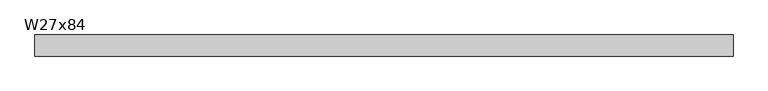
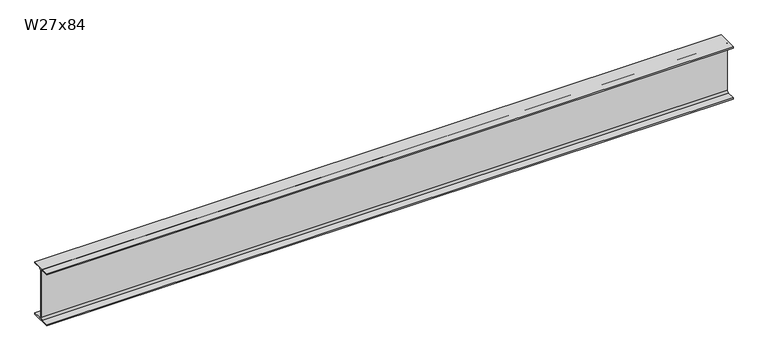
"""IFC4 building model written with IfcOpenShell, lengths in millimetres: beam geometry, W27x84."""

import ifcopenshell
import ifcopenshell.guid

model = None  # the IFC model being written
_history = None  # IfcOwnerHistory: only IFC2X3 demands one
_inside = {}  # id of a spatial element -> (the spatial element, [elements in it])
_under = {}  # id of a project, library or spatial element -> (it, [spatial elements below it])
_declared = {}  # id of a project -> (the project, [libraries it declares])
_typed = {}  # id of a type object -> (the type object, [elements of that type])
_made_of = {}  # id of a material, layer set ... -> (it, [elements and type objects made of it])


def new_model(schema):
    """Start an empty IFC model of exactly this schema.

    Asked for "IFC4X3", IfcOpenShell would pick the latest addendum, in which some entities
    have other attributes; the version numbers below select the first issue.
    IFC2X3 requires an IfcOwnerHistory on every rooted entity: one is made here for all.
    """
    global model, _history
    if schema == "IFC4X3":
        model = ifcopenshell.file(schema_version=(4, 3, 0, 0))
    else:
        model = ifcopenshell.file(schema=schema)
    _inside.clear()
    _under.clear()
    _declared.clear()
    _typed.clear()
    _made_of.clear()
    _history = None
    if model.schema == "IFC2X3":
        org = make("IfcOrganization", Name="unknown")
        user = make(
            "IfcPersonAndOrganization",
            ThePerson=make("IfcPerson", FamilyName="unknown"),
            TheOrganization=org,
        )
        app = make(
            "IfcApplication",
            ApplicationDeveloper=org,
            Version="unknown",
            ApplicationFullName="unknown",
            ApplicationIdentifier="unknown",
        )
        _history = make(
            "IfcOwnerHistory",
            OwningUser=user,
            OwningApplication=app,
            ChangeAction="ADDED",
            CreationDate=0,
        )
    return model


def make(cls, **values):
    """One entity of the class cls with the attributes given. An attribute that is None is left unset."""
    return model.create_entity(
        cls, **{name: value for name, value in values.items() if value is not None}
    )


def rooted(cls, **values):
    """An entity with a GlobalId (a new one), such as an element, a storey or a relation."""
    return make(cls, GlobalId=ifcopenshell.guid.new(), OwnerHistory=_history, **values)


def si_unit(unit_type, name, prefix=None):
    """IfcSIUnit, for example si_unit("LENGTHUNIT", "METRE", prefix="MILLI")."""
    return make("IfcSIUnit", UnitType=unit_type, Prefix=prefix, Name=name)


def assignment(units):
    """IfcUnitAssignment: the units of a project."""
    return None if units is None else make("IfcUnitAssignment", Units=units)


def point(xyz):
    """IfcCartesianPoint."""
    return None if xyz is None else make("IfcCartesianPoint", Coordinates=xyz)


def direction(xyz):
    """IfcDirection."""
    return None if xyz is None else make("IfcDirection", DirectionRatios=xyz)


def frame(location, z_axis=None, x_axis=None):
    """IfcAxis2Placement3D, a coordinate frame: its origin and axes. An axis left out is left unset."""
    return make(
        "IfcAxis2Placement3D",
        Location=point(location),
        Axis=direction(z_axis),
        RefDirection=direction(x_axis),
    )


def frame_2d(location, x_axis=None):
    """IfcAxis2Placement2D, a coordinate frame in the plane: its origin and x axis."""
    return make(
        "IfcAxis2Placement2D", Location=point(location), RefDirection=direction(x_axis)
    )


def origin():
    """The frame at (0, 0, 0) with its axes left unset."""
    return frame((0.0, 0.0, 0.0))


def place(relative_to, where):
    """IfcLocalPlacement: puts the frame where relative to a parent placement (None: the world)."""
    return make(
        "IfcLocalPlacement", PlacementRelTo=relative_to, RelativePlacement=where
    )


def context(
    kind, dimensions, precision=None, world=None, true_north=None, identifier=None
):
    """IfcGeometricRepresentationContext, for example the 3D "Model" context."""
    return make(
        "IfcGeometricRepresentationContext",
        ContextIdentifier=identifier,
        ContextType=kind,
        CoordinateSpaceDimension=dimensions,
        Precision=precision,
        WorldCoordinateSystem=world,
        TrueNorth=true_north,
    )


def project(units=None, contexts=None):
    """IfcProject with its units and contexts."""
    return rooted(
        "IfcProject",
        Name="project",
        RepresentationContexts=contexts,
        UnitsInContext=assignment(units),
    )


def spatial(cls, under=None, at=None, **own):
    """A site, building, storey or space (cls), placed at a placement, below another one or the project."""
    s = rooted(cls, ObjectPlacement=at, **own)
    if under is not None:
        _under.setdefault(under.id(), (under, []))[1].append(s)
    return s


def polyline(points):
    """IfcPolyline through the points."""
    return make("IfcPolyline", Points=[point(p) for p in points])


def circle_curve(where, radius):
    """IfcCircle in the frame where."""
    return make("IfcCircle", Position=where, Radius=radius)


def trimmed(basis, trim1, trim2, sense, master):
    """IfcTrimmedCurve: the piece of a basis curve between two trims."""
    return make(
        "IfcTrimmedCurve",
        BasisCurve=basis,
        Trim1=trim1,
        Trim2=trim2,
        SenseAgreement=sense,
        MasterRepresentation=master,
    )


def segment(curve, same_sense, transition):
    """IfcCompositeCurveSegment."""
    return make(
        "IfcCompositeCurveSegment",
        Transition=transition,
        SameSense=same_sense,
        ParentCurve=curve,
    )


def composite_curve(segments, self_intersect=None):
    """IfcCompositeCurve: segments joined end to end."""
    return make("IfcCompositeCurve", Segments=segments, SelfIntersect=self_intersect)


def outline(outer, holes=None, kind="AREA"):
    """IfcArbitraryClosedProfileDef: a profile drawn as a closed curve; with holes, ...WithVoids."""
    if holes is None:
        return make("IfcArbitraryClosedProfileDef", ProfileType=kind, OuterCurve=outer)
    return make(
        "IfcArbitraryProfileDefWithVoids",
        ProfileType=kind,
        OuterCurve=outer,
        InnerCurves=holes,
    )


def extrude(swept, where, along, depth):
    """IfcExtrudedAreaSolid: the profile swept, set in the frame where, extruded along a direction by depth."""
    return make(
        "IfcExtrudedAreaSolid",
        SweptArea=swept,
        Position=where,
        ExtrudedDirection=direction(along),
        Depth=depth,
    )


def shape(context_of_items, identifier, shape_type, items):
    """IfcShapeRepresentation: the items that make up one representation, for example the "Body"."""
    return make(
        "IfcShapeRepresentation",
        ContextOfItems=context_of_items,
        RepresentationIdentifier=identifier,
        RepresentationType=shape_type,
        Items=items,
    )


def source(mapping_origin, context_of_items, identifier, shape_type, items):
    """IfcRepresentationMap: a shape defined once, which mapped items show again and again."""
    return make(
        "IfcRepresentationMap",
        MappingOrigin=mapping_origin,
        MappedRepresentation=shape(context_of_items, identifier, shape_type, items),
    )


def transform(
    local_origin,
    x_axis=None,
    y_axis=None,
    z_axis=None,
    scale=None,
    scale2=None,
    scale3=None,
    uniform=True,
):
    """IfcCartesianTransformationOperator3D, or its non-uniform kind. x_axis, y_axis, z_axis: its Axis1, 2, 3."""
    if uniform:
        return make(
            "IfcCartesianTransformationOperator3D",
            Axis1=direction(x_axis),
            Axis2=direction(y_axis),
            LocalOrigin=point(local_origin),
            Scale=scale,
            Axis3=direction(z_axis),
        )
    return make(
        "IfcCartesianTransformationOperator3DnonUniform",
        Axis1=direction(x_axis),
        Axis2=direction(y_axis),
        LocalOrigin=point(local_origin),
        Scale=scale,
        Axis3=direction(z_axis),
        Scale2=scale2,
        Scale3=scale3,
    )


def mapped(mapping_source, mapping_target):
    """IfcMappedItem: shows the shape of a source again, moved by a transform."""
    return make(
        "IfcMappedItem", MappingSource=mapping_source, MappingTarget=mapping_target
    )


def made_of(thing, what):
    """Note that an element or type object is made of a material, layer set ...; save() writes the relation."""
    if what is not None:
        _made_of.setdefault(what.id(), (what, []))[1].append(thing)
    return thing


def element(
    cls,
    number,
    at=None,
    inside=None,
    cuts=None,
    type_object=None,
    material=None,
    context=None,
    identifier="Body",
    shape_type=None,
    held_by="IfcProductDefinitionShape",
    body=None,
    shapes=None,
    **own,
):
    """One element of the class cls, such as IfcWall. Its Tag is "e" and its number.

    at: its placement. inside: the storey or other place that contains it. cuts: it is an
    opening in that element (IfcRelVoidsElement). A single representation is given by context,
    identifier, shape_type and body (its items); several are given by shapes. held_by: the class
    of the entity that holds the representations. save() writes the other relations.
    """
    e = rooted(cls, Tag="e%d" % number, ObjectPlacement=at, **own)
    if body is not None:
        shapes = [shape(context, identifier, shape_type, body)]
    if shapes is not None:
        e.Representation = make(held_by, Representations=shapes)
    if inside is not None:
        _inside.setdefault(inside.id(), (inside, []))[1].append(e)
    if cuts is not None:
        rooted(
            "IfcRelVoidsElement", RelatingBuildingElement=cuts, RelatedOpeningElement=e
        )
    if type_object is not None:
        _typed.setdefault(type_object.id(), (type_object, []))[1].append(e)
    return made_of(e, material)


def aggregate(whole, parts):
    """IfcRelAggregates: a whole, such as a stair, and the parts it consists of."""
    return rooted("IfcRelAggregates", RelatingObject=whole, RelatedObjects=parts)


def save(model, path):
    """Write the relations noted so far, then the file.

    IfcRelAggregates (storeys below a building ...), IfcRelContainedInSpatialStructure (elements
    in a storey), IfcRelDefinesByType, IfcRelAssociatesMaterial and IfcRelDeclares: one each for
    every whole, place, type object, material and project.
    """
    for whole, parts in _under.values():
        aggregate(whole, parts)
    for where, things in _inside.values():
        rooted(
            "IfcRelContainedInSpatialStructure",
            RelatedElements=things,
            RelatingStructure=where,
        )
    for kind, things in _typed.values():
        rooted("IfcRelDefinesByType", RelatedObjects=things, RelatingType=kind)
    for what, things in _made_of.values():
        rooted("IfcRelAssociatesMaterial", RelatedObjects=things, RelatingMaterial=what)
    for by, libraries in _declared.values():
        rooted("IfcRelDeclares", RelatingContext=by, RelatedDefinitions=libraries)
    model.write(path)


def w27x84_994b9f31(model_context):
    return source(origin(), model_context, "Body", "SweptSolid", [
        extrude(outline(composite_curve([segment(polyline([(127.0, -322.834), (127.0, -339.09), (-127.0, -339.09), (-127.0, -322.834), (-29.2735, -322.834)]), True, "CONTINUOUS"), segment(trimmed(circle_curve(frame_2d((-29.2735, -299.4025)), 23.4315), [point((-29.2735, -322.834))], [point((-5.842, -299.4025))], True, "CARTESIAN"), True, "CONTINUOUS"), segment(polyline([(-5.842, -299.4025), (-5.842, 299.4025)]), True, "CONTINUOUS"), segment(trimmed(circle_curve(frame_2d((-29.2735, 299.4025)), 23.4315), [point((-5.842, 299.4025))], [point((-29.2735, 322.834))], True, "CARTESIAN"), True, "CONTINUOUS"), segment(polyline([(-29.2735, 322.834), (-127.0, 322.834), (-127.0, 339.09), (127.0, 339.09), (127.0, 322.834), (29.2735, 322.834)]), True, "CONTINUOUS"), segment(trimmed(circle_curve(frame_2d((29.2735, 299.4025)), 23.4315), [point((29.2735, 322.834))], [point((5.842, 299.4025))], True, "CARTESIAN"), True, "CONTINUOUS"), segment(polyline([(5.842, 299.4025), (5.842, -299.4025)]), True, "CONTINUOUS"), segment(trimmed(circle_curve(frame_2d((29.2735, -299.4025)), 23.4315), [point((5.842, -299.4025))], [point((29.2735, -322.834))], True, "CARTESIAN"), True, "CONTINUOUS"), segment(polyline([(29.2735, -322.834), (127.0, -322.834)]), True, "CONTINUOUS")], self_intersect=False)), frame((-4203.573, 0.0, 0.0), z_axis=(1.0, 0.0, 0.0), x_axis=(0.0, 1.0, 0.0)), (0.0, 0.0, 1.0), 8407.146),
    ])


if __name__ == "__main__":
    model = new_model("IFC4")
    model_context = context("Model", 3, world=origin())
    ifc_project = project(units=[si_unit("LENGTHUNIT", "METRE", prefix="MILLI")], contexts=[model_context])
    site = spatial("IfcSite", under=ifc_project)
    building = spatial("IfcBuilding", under=site)
    placement = place(None, origin())
    w27x84_shape = w27x84_994b9f31(model_context)
    element("IfcBeam", 1, ObjectType="W27x84", at=placement, inside=building, context=model_context, shape_type="MappedRepresentation", body=[
        mapped(w27x84_shape, transform((0.0, 0.0, 0.0), x_axis=(1.0, 0.0, 0.0), y_axis=(0.0, 1.0, 0.0), z_axis=(0.0, 0.0, 1.0))),
    ])
    save(model, "model.ifc")
